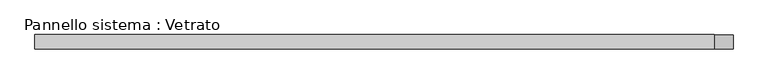
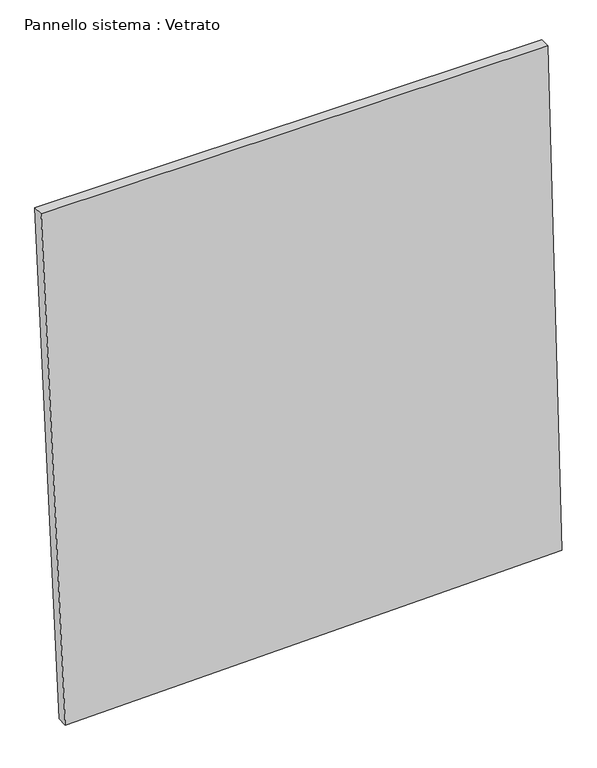
"""IFC4 building model written with IfcOpenShell, lengths in millimetres: plate geometry, Pannello sistema : Vetrato."""

from ifc_helpers import new_model, si_unit, frame, origin, place, context, project, spatial, polyline, outline, extrude, source, transform, mapped, element, save


def pannello_sistema_vetrato_b715a8b3(model_context):
    return source(origin(), model_context, "Body", "SweptSolid", [
        extrude(outline(polyline([(0.0, -666.8762212), (29.8046314, 734.9936906), (1548.7667732, 695.0700778), (1548.5891945, -734.9936906), (0.0, -666.8762212)])), frame((0.0, -15.0, 0.0), z_axis=(0.0, 1.0, 0.0), x_axis=(0.0, 0.0, 1.0)), (0.0, 0.0, 1.0), 30.0),
    ])


if __name__ == "__main__":
    model = new_model("IFC4")
    model_context = context("Model", 3, world=origin())
    ifc_project = project(units=[si_unit("LENGTHUNIT", "METRE", prefix="MILLI")], contexts=[model_context])
    site = spatial("IfcSite", under=ifc_project)
    building = spatial("IfcBuilding", under=site)
    placement = place(None, origin())
    pannello_sistema_vetrato_shape = pannello_sistema_vetrato_b715a8b3(model_context)
    element("IfcPlate", 1, ObjectType="Pannello sistema : Vetrato", at=placement, inside=building, context=model_context, shape_type="MappedRepresentation", body=[
        mapped(pannello_sistema_vetrato_shape, transform((0.0, 0.0, 0.0), x_axis=(1.0, 0.0, 0.0), y_axis=(0.0, 1.0, 0.0), z_axis=(0.0, 0.0, 1.0))),
    ])
    save(model, "model.ifc")
